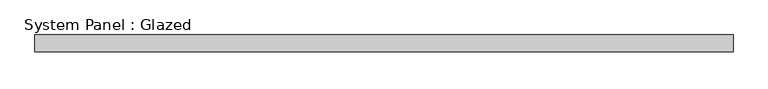
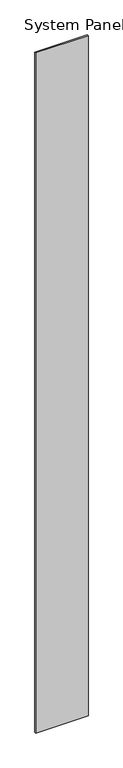
"""IFC4 building model written with IfcOpenShell, lengths in millimetres: plate geometry, System Panel : Glazed."""

from ifc_helpers import new_model, si_unit, origin, origin_with_axes, place, context, project, spatial, polyline, outline, extrude, source, transform, mapped, element, save


def system_panel_glazed_a3243eeb(model_context):
    return source(origin(), model_context, "Body", "SweptSolid", [
        extrude(outline(polyline([(510.7572357, -77.5), (-510.7572357, -77.5), (-510.7572357, -52.5), (510.7572357, -52.5), (510.7572357, -77.5)])), origin_with_axes(), (0.0, 0.0, 1.0), 14020.0),
    ])


if __name__ == "__main__":
    model = new_model("IFC4")
    model_context = context("Model", 3, world=origin())
    ifc_project = project(units=[si_unit("LENGTHUNIT", "METRE", prefix="MILLI")], contexts=[model_context])
    site = spatial("IfcSite", under=ifc_project)
    building = spatial("IfcBuilding", under=site)
    placement = place(None, origin())
    system_panel_glazed_shape = system_panel_glazed_a3243eeb(model_context)
    element("IfcPlate", 1, ObjectType="System Panel : Glazed", at=placement, inside=building, context=model_context, shape_type="MappedRepresentation", body=[
        mapped(system_panel_glazed_shape, transform((0.0, 0.0, 0.0), x_axis=(1.0, 0.0, 0.0), y_axis=(0.0, 1.0, 0.0), z_axis=(0.0, 0.0, 1.0))),
    ])
    save(model, "model.ifc")
